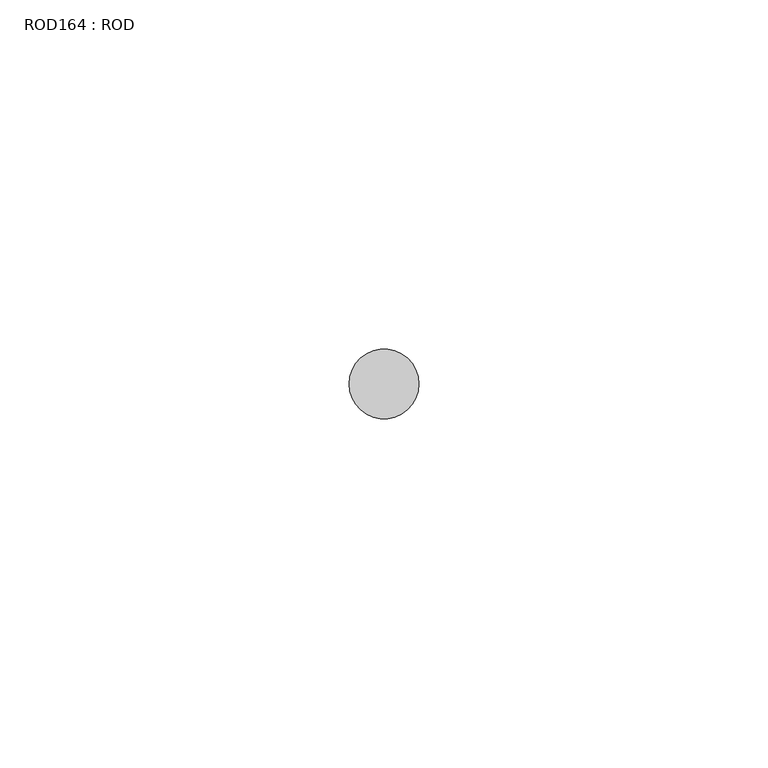
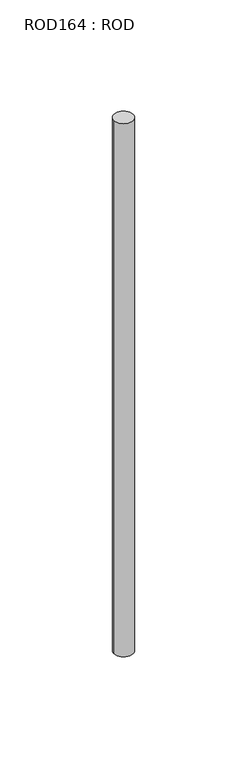
"""IFC4 building model written with IfcOpenShell, lengths in millimetres: proxy geometry, ROD164 : ROD."""

from ifc_helpers import new_model, si_unit, point, frame, frame_2d, origin, place, context, project, spatial, circle_curve, trimmed, segment, composite_curve, outline, extrude, source, transform, mapped, element, save


def rod164_rod_fe665b8c(model_context):
    return source(origin(), model_context, "Body", "SweptSolid", [
        extrude(outline(composite_curve([segment(trimmed(circle_curve(frame_2d((-4100.2326676, -25842.0031575)), 5.0), [point((-4105.2326676, -25842.0031575))], [point((-4095.2326676, -25842.0031575))], False, "CARTESIAN"), True, "CONTINUOUS"), segment(trimmed(circle_curve(frame_2d((-4100.2326676, -25842.0031575)), 5.0), [point((-4095.2326676, -25842.0031575))], [point((-4105.2326676, -25842.0031575))], False, "CARTESIAN"), True, "CONTINUOUS")], self_intersect=False)), frame((0.0, 0.0, 166.3391155), z_axis=(0.0, 0.0, 1.0), x_axis=(1.0, 0.0, 0.0)), (0.0, 0.0, 1.0), 298.9028972),
    ])


if __name__ == "__main__":
    model = new_model("IFC4")
    model_context = context("Model", 3, world=origin())
    ifc_project = project(units=[si_unit("LENGTHUNIT", "METRE", prefix="MILLI")], contexts=[model_context])
    site = spatial("IfcSite", under=ifc_project)
    building = spatial("IfcBuilding", under=site)
    placement = place(None, origin())
    rod164_rod_shape = rod164_rod_fe665b8c(model_context)
    element("IfcBuildingElementProxy", 1, Name="ROD164 : ROD", ObjectType="ROD164 : ROD", at=placement, inside=building, context=model_context, shape_type="MappedRepresentation", body=[
        mapped(rod164_rod_shape, transform((0.0, 0.0, 0.0), x_axis=(1.0, 0.0, 0.0), y_axis=(0.0, 1.0, 0.0), z_axis=(0.0, 0.0, 1.0))),
    ])
    save(model, "model.ifc")
